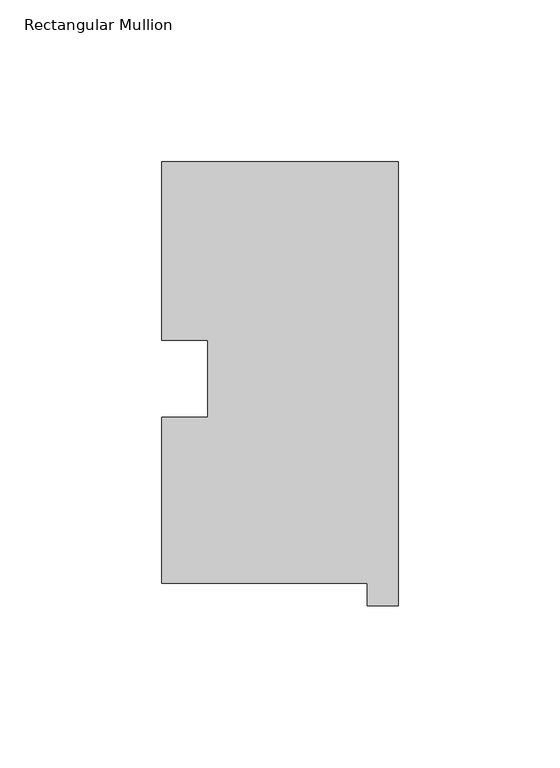
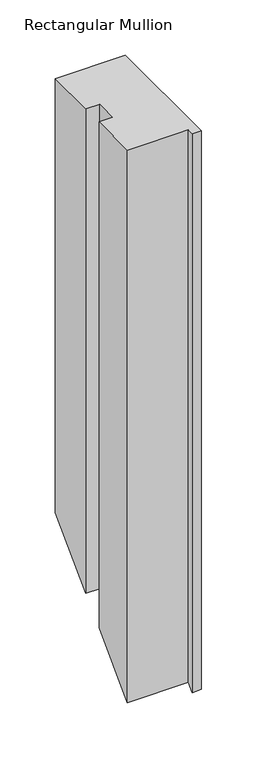
"""IFC4 building model written with IfcOpenShell, lengths in millimetres: member geometry, Rectangular Mullion."""

from ifc_helpers import new_model, si_unit, origin, place, context, project, spatial, faceted_brep, source, transform, mapped, element, save


def rectangular_mullion_031ee513(model_context):
    return source(origin(), model_context, "Body", "Brep", [
        faceted_brep([(-9.525, 0.26035, 0.0), (-9.525, -6.64845, 0.0), (0.0, -6.64845, 0.0), (0.0, 130.56235, 0.0), (-73.025, 130.56235, 0.0), (-73.025, 75.40625, 0.0), (-58.785125, 75.40625, 0.0), (-58.785125, 51.60645, 0.0), (-73.025, 51.60645, 0.0), (-73.025, 0.26035, 0.0), (-9.525, 0.26035, -609.33965), (-9.525, -6.64845, -616.24845), (0.0, -6.64845, -616.24845), (0.0, 130.56235, -479.03765), (-73.025, 130.56235, -479.03765), (-73.025, 75.40625, -534.19375), (-58.785125, 75.40625, -534.19375), (-58.785125, 51.60645, -557.99355), (-73.025, 51.60645, -557.99355), (-73.025, 0.26035, -609.33965)], [[[0, 1, 2, 3, 4, 5, 6, 7, 8, 9]], [[1, 0, 10, 11]], [[2, 1, 11, 12]], [[3, 2, 12, 13]], [[4, 3, 13, 14]], [[5, 4, 14, 15]], [[6, 5, 15, 16]], [[7, 6, 16, 17]], [[8, 7, 17, 18]], [[9, 8, 18, 19]], [[0, 9, 19, 10]], [[10, 19, 18, 17, 16, 15, 14, 13, 12, 11]]]),
    ])


if __name__ == "__main__":
    model = new_model("IFC4")
    model_context = context("Model", 3, world=origin())
    ifc_project = project(units=[si_unit("LENGTHUNIT", "METRE", prefix="MILLI")], contexts=[model_context])
    site = spatial("IfcSite", under=ifc_project)
    building = spatial("IfcBuilding", under=site)
    placement = place(None, origin())
    rectangular_mullion_shape = rectangular_mullion_031ee513(model_context)
    element("IfcMember", 1, ObjectType="Rectangular Mullion", at=placement, inside=building, context=model_context, shape_type="MappedRepresentation", body=[
        mapped(rectangular_mullion_shape, transform((0.0, 0.0, 0.0), x_axis=(1.0, 0.0, 0.0), y_axis=(0.0, 1.0, 0.0), z_axis=(0.0, 0.0, 1.0))),
    ])
    save(model, "model.ifc")
